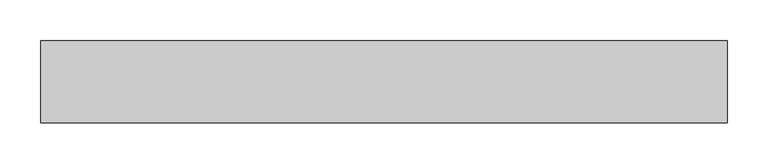
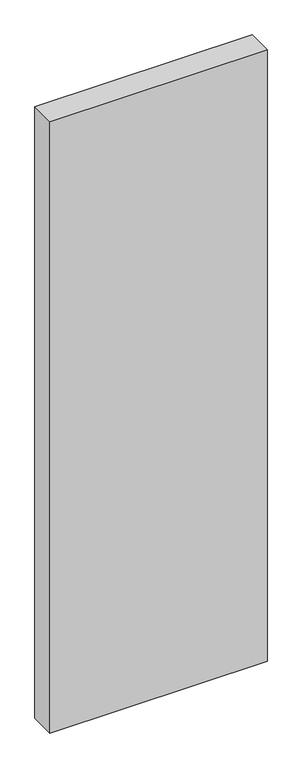
"""IFC4 building model written with IfcOpenShell, lengths in millimetres: proxy geometry."""

from ifc_helpers import new_model, si_unit, frame, origin, place, context, project, spatial, polyline, outline, extrude, source, transform, mapped, element, save


def generic_models_01694a4e(model_context):
    return source(origin(), model_context, "Body", "SweptSolid", [
        extrude(outline(polyline([(840.0, 100.0), (840.0, 0.0), (0.0, 0.0), (0.0, 100.0), (840.0, 100.0)])), frame((0.0, 0.0, -2500.0), z_axis=(0.0, 0.0, 1.0), x_axis=(1.0, 0.0, 0.0)), (0.0, 0.0, 1.0), 2500.0),
    ])


if __name__ == "__main__":
    model = new_model("IFC4")
    model_context = context("Model", 3, world=origin())
    ifc_project = project(units=[si_unit("LENGTHUNIT", "METRE", prefix="MILLI")], contexts=[model_context])
    site = spatial("IfcSite", under=ifc_project)
    building = spatial("IfcBuilding", under=site)
    placement = place(None, origin())
    generic_models_shape = generic_models_01694a4e(model_context)
    element("IfcBuildingElementProxy", 1, Name="Generic Models", at=placement, inside=building, context=model_context, shape_type="MappedRepresentation", body=[
        mapped(generic_models_shape, transform((0.0, 0.0, 0.0), x_axis=(1.0, 0.0, 0.0), y_axis=(0.0, 1.0, 0.0), z_axis=(0.0, 0.0, 1.0))),
    ])
    save(model, "model.ifc")
